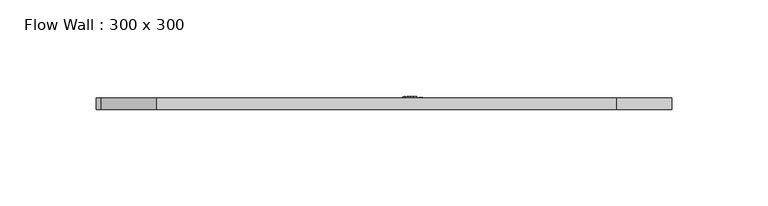
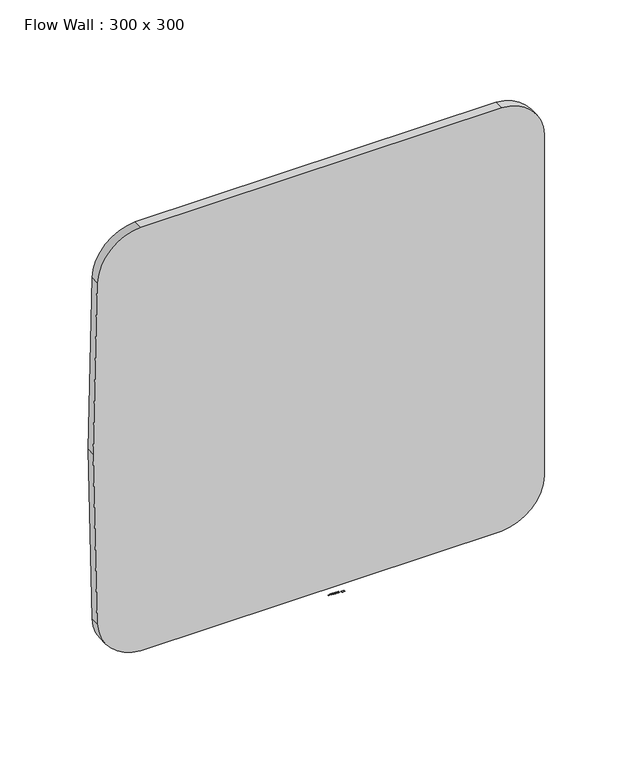
"""IFC4 building model written with IfcOpenShell, lengths in millimetres: furniture geometry, Flow Wall : 300 x 300."""

from ifc_helpers import new_model, si_unit, point, frame, frame_2d, origin, place, context, project, spatial, circle_curve, trimmed, segment, composite_curve, outline, extrude, source, transform, mapped, element, save


def flow_wall_300_x_300_18cdb99a(model_context):
    return source(origin(), model_context, "Body", "SweptSolid", [
        extrude(outline(composite_curve([segment(trimmed(circle_curve(frame_2d((-2399.0451593, 0.0)), 2700.0), [point((298.3223875, 119.1986461))], [point((298.3223875, -119.1986461))], False, "CARTESIAN"), True, "CONTINUOUS"), segment(trimmed(circle_curve(frame_2d((268.351637, -117.8742167)), 30.0), [point((298.3223875, -119.1986461))], [point((269.6760664, -147.8449672))], False, "CARTESIAN"), True, "CONTINUOUS"), segment(trimmed(circle_curve(frame_2d((150.4774203, 2549.5225797)), 2700.0), [point((269.6760664, -147.8449672))], [point((150.4774203, -150.4774203))], False, "CARTESIAN"), True, "CONTINUOUS"), segment(trimmed(circle_curve(frame_2d((150.4774203, 2549.5225797)), 2700.0), [point((150.4774203, -150.4774203))], [point((31.2787743, -147.8449672))], False, "CARTESIAN"), True, "CONTINUOUS"), segment(trimmed(circle_curve(frame_2d((32.6032037, -117.8742167)), 30.0), [point((31.2787743, -147.8449672))], [point((2.6324532, -119.1986461))], False, "CARTESIAN"), True, "CONTINUOUS"), segment(trimmed(circle_curve(frame_2d((2700.0, 0.0)), 2700.0), [point((2.6324532, -119.1986461))], [point((2.6324532, 119.1986461))], False, "CARTESIAN"), True, "CONTINUOUS"), segment(trimmed(circle_curve(frame_2d((32.6032037, 117.8742167)), 30.0), [point((2.6324532, 119.1986461))], [point((31.2787743, 147.8449672))], False, "CARTESIAN"), True, "CONTINUOUS"), segment(trimmed(circle_curve(frame_2d((150.4774203, -2549.5225797)), 2700.0), [point((31.2787743, 147.8449672))], [point((269.6760664, 147.8449672))], False, "CARTESIAN"), True, "CONTINUOUS"), segment(trimmed(circle_curve(frame_2d((268.351637, 117.8742167)), 30.0), [point((269.6760664, 147.8449672))], [point((298.3223875, 119.1986461))], False, "CARTESIAN"), True, "CONTINUOUS")], self_intersect=False)), frame((0.0, -6.0, 0.0), z_axis=(0.0, 1.0, 0.0), x_axis=(0.0, 0.0, 1.0)), (0.0, 0.0, 1.0), 6.0),
        extrude(outline(composite_curve([segment(trimmed(circle_curve(frame_2d((17.8140378, -29.8743533)), 30.0), [point((16.9116166, 0.1120708))], [point((18.7164591, 0.1120708))], False, "CARTESIAN"), True, "CONTINUOUS"), segment(trimmed(circle_curve(frame_2d((18.713763, 0.022123)), 0.0899883), [point((18.7164591, 0.1120708))], [point((18.803638, 0.0266359))], False, "CARTESIAN"), True, "CONTINUOUS"), segment(trimmed(circle_curve(frame_2d((10.8137529, -0.3755281)), 8.0), [point((18.803638, 0.0266359))], [point((18.803638, -0.7776922))], False, "CARTESIAN"), True, "CONTINUOUS"), segment(trimmed(circle_curve(frame_2d((18.713763, -0.7731792)), 0.0899883), [point((18.803638, -0.7776922))], [point((18.7164591, -0.8631271))], False, "CARTESIAN"), True, "CONTINUOUS"), segment(trimmed(circle_curve(frame_2d((17.8140378, 29.1232971)), 30.0), [point((18.7164591, -0.8631271))], [point((16.9116166, -0.8631271))], False, "CARTESIAN"), True, "CONTINUOUS"), segment(trimmed(circle_curve(frame_2d((16.9143126, -0.7731792)), 0.0899883), [point((16.9116166, -0.8631271))], [point((16.8244376, -0.7776922))], False, "CARTESIAN"), True, "CONTINUOUS"), segment(trimmed(circle_curve(frame_2d((24.8143227, -0.3755281)), 8.0), [point((16.8244376, -0.7776922))], [point((16.8143227, -0.3755281))], False, "CARTESIAN"), True, "CONTINUOUS"), segment(trimmed(circle_curve(frame_2d((24.8143227, -0.3755281)), 8.0), [point((16.8143227, -0.3755281))], [point((16.8244376, 0.0266359))], False, "CARTESIAN"), True, "CONTINUOUS"), segment(trimmed(circle_curve(frame_2d((16.9143126, 0.022123)), 0.0899883), [point((16.8244376, 0.0266359))], [point((16.9116166, 0.1120708))], False, "CARTESIAN"), True, "CONTINUOUS")], self_intersect=False)), frame((0.0, 0.0, -7.4147222), z_axis=(0.0, 0.0, 1.0), x_axis=(1.0, 0.0, 0.0)), (0.0, 0.0, 1.0), 0.006),
        extrude(outline(composite_curve([segment(trimmed(circle_curve(frame_2d((14.8989791, -14.1960751)), 15.0), [point((14.2454051, 0.7896795))], [point((15.5525531, 0.7896795))], False, "CARTESIAN"), True, "CONTINUOUS"), segment(trimmed(circle_curve(frame_2d((15.5486316, 0.699765)), 0.09), [point((15.5525531, 0.7896795))], [point((15.6385171, 0.7043032))], False, "CARTESIAN"), True, "CONTINUOUS"), segment(trimmed(circle_curve(frame_2d((7.6486942, 0.3009066)), 8.0), [point((15.6385171, 0.7043032))], [point((15.6385171, -0.10249))], False, "CARTESIAN"), True, "CONTINUOUS"), segment(trimmed(circle_curve(frame_2d((15.5486316, -0.0979518)), 0.09), [point((15.6385171, -0.10249))], [point((15.5525531, -0.1878663))], False, "CARTESIAN"), True, "CONTINUOUS"), segment(trimmed(circle_curve(frame_2d((14.8989791, 14.7978883)), 15.0), [point((15.5525531, -0.1878663))], [point((14.2454051, -0.1878663))], False, "CARTESIAN"), True, "CONTINUOUS"), segment(trimmed(circle_curve(frame_2d((14.2493265, -0.0979518)), 0.09), [point((14.2454051, -0.1878663))], [point((14.159441, -0.10249))], False, "CARTESIAN"), True, "CONTINUOUS"), segment(trimmed(circle_curve(frame_2d((22.149264, 0.3009066)), 8.0), [point((14.159441, -0.10249))], [point((14.149264, 0.3009066))], False, "CARTESIAN"), True, "CONTINUOUS"), segment(trimmed(circle_curve(frame_2d((22.149264, 0.3009066)), 8.0), [point((14.149264, 0.3009066))], [point((14.159441, 0.7043032))], False, "CARTESIAN"), True, "CONTINUOUS"), segment(trimmed(circle_curve(frame_2d((14.2493265, 0.699765)), 0.09), [point((14.159441, 0.7043032))], [point((14.2454051, 0.7896795))], False, "CARTESIAN"), True, "CONTINUOUS")], self_intersect=False)), frame((0.0, 0.0, -7.4147222), z_axis=(0.0, 0.0, 1.0), x_axis=(1.0, 0.0, 0.0)), (0.0, 0.0, 1.0), 0.006),
        extrude(outline(composite_curve([segment(trimmed(circle_curve(frame_2d((13.2344979, -10.6292964)), 11.5), [point((12.7057204, 0.8585404))], [point((13.7632754, 0.8585404))], False, "CARTESIAN"), True, "CONTINUOUS"), segment(trimmed(circle_curve(frame_2d((13.7591372, 0.7686356)), 0.09), [point((13.7632754, 0.8585404))], [point((13.8490225, 0.7731768))], False, "CARTESIAN"), True, "CONTINUOUS"), segment(trimmed(circle_curve(frame_2d((5.859213, 0.369514)), 8.0), [point((13.8490225, 0.7731768))], [point((13.8490225, -0.0341489))], False, "CARTESIAN"), True, "CONTINUOUS"), segment(trimmed(circle_curve(frame_2d((13.7591372, -0.0296077)), 0.09), [point((13.8490225, -0.0341489))], [point((13.7632754, -0.1195125))], False, "CARTESIAN"), True, "CONTINUOUS"), segment(trimmed(circle_curve(frame_2d((13.2344979, 11.3683243)), 11.5), [point((13.7632754, -0.1195125))], [point((12.7057204, -0.1195125))], False, "CARTESIAN"), True, "CONTINUOUS"), segment(trimmed(circle_curve(frame_2d((12.7098586, -0.0296077)), 0.09), [point((12.7057204, -0.1195125))], [point((12.6199733, -0.0341489))], False, "CARTESIAN"), True, "CONTINUOUS"), segment(trimmed(circle_curve(frame_2d((20.6097828, 0.369514)), 8.0), [point((12.6199733, -0.0341489))], [point((12.6097828, 0.369514))], False, "CARTESIAN"), True, "CONTINUOUS"), segment(trimmed(circle_curve(frame_2d((20.6097828, 0.369514)), 8.0), [point((12.6097828, 0.369514))], [point((12.6199733, 0.7731768))], False, "CARTESIAN"), True, "CONTINUOUS"), segment(trimmed(circle_curve(frame_2d((12.7098586, 0.7686356)), 0.09), [point((12.6199733, 0.7731768))], [point((12.7057204, 0.8585404))], False, "CARTESIAN"), True, "CONTINUOUS")], self_intersect=False)), frame((0.0, 0.0, -7.4147222), z_axis=(0.0, 0.0, 1.0), x_axis=(1.0, 0.0, 0.0)), (0.0, 0.0, 1.0), 0.006),
        extrude(outline(composite_curve([segment(trimmed(circle_curve(frame_2d((11.880102, -7.1379444)), 8.0), [point((11.4759408, 0.85184))], [point((12.2842632, 0.85184))], False, "CARTESIAN"), True, "CONTINUOUS"), segment(trimmed(circle_curve(frame_2d((12.2797164, 0.7619549)), 0.09), [point((12.2842632, 0.85184))], [point((12.3696014, 0.7665017))], False, "CARTESIAN"), True, "CONTINUOUS"), segment(trimmed(circle_curve(frame_2d((4.3798171, 0.3623405)), 8.0), [point((12.3696014, 0.7665017))], [point((12.3696014, -0.0418206))], False, "CARTESIAN"), True, "CONTINUOUS"), segment(trimmed(circle_curve(frame_2d((12.2797164, -0.0372738)), 0.09), [point((12.3696014, -0.0418206))], [point((12.2842632, -0.1271589))], False, "CARTESIAN"), True, "CONTINUOUS"), segment(trimmed(circle_curve(frame_2d((11.880102, 7.8626254)), 8.0), [point((12.2842632, -0.1271589))], [point((11.4759408, -0.1271589))], False, "CARTESIAN"), True, "CONTINUOUS"), segment(trimmed(circle_curve(frame_2d((11.4804876, -0.0372738)), 0.09), [point((11.4759408, -0.1271589))], [point((11.3906026, -0.0418206))], False, "CARTESIAN"), True, "CONTINUOUS"), segment(trimmed(circle_curve(frame_2d((19.3803869, 0.3623405)), 8.0), [point((11.3906026, -0.0418206))], [point((11.3803869, 0.3623405))], False, "CARTESIAN"), True, "CONTINUOUS"), segment(trimmed(circle_curve(frame_2d((19.3803869, 0.3623405)), 8.0), [point((11.3803869, 0.3623405))], [point((11.3906026, 0.7665017))], False, "CARTESIAN"), True, "CONTINUOUS"), segment(trimmed(circle_curve(frame_2d((11.4804876, 0.7619549)), 0.09), [point((11.3906026, 0.7665017))], [point((11.4759408, 0.85184))], False, "CARTESIAN"), True, "CONTINUOUS")], self_intersect=False)), frame((0.0, 0.0, -7.4147222), z_axis=(0.0, 0.0, 1.0), x_axis=(1.0, 0.0, 0.0)), (0.0, 0.0, 1.0), 0.006),
        extrude(outline(composite_curve([segment(trimmed(circle_curve(frame_2d((10.7219096, -5.1332795)), 6.0), [point((10.4208166, 0.859161))], [point((11.0230025, 0.859161))], False, "CARTESIAN"), True, "CONTINUOUS"), segment(trimmed(circle_curve(frame_2d((11.0194898, 0.7892492)), 0.07), [point((11.0230025, 0.859161))], [point((11.0894016, 0.792762))], False, "CARTESIAN"), True, "CONTINUOUS"), segment(trimmed(circle_curve(frame_2d((5.0969611, 0.491669)), 6.0), [point((11.0894016, 0.792762))], [point((11.0894016, 0.1905761))], False, "CARTESIAN"), True, "CONTINUOUS"), segment(trimmed(circle_curve(frame_2d((11.0194898, 0.1940888)), 0.07), [point((11.0894016, 0.1905761))], [point((11.0230025, 0.124177))], False, "CARTESIAN"), True, "CONTINUOUS"), segment(trimmed(circle_curve(frame_2d((10.7219096, 6.1166175)), 6.0), [point((11.0230025, 0.124177))], [point((10.4208166, 0.124177))], False, "CARTESIAN"), True, "CONTINUOUS"), segment(trimmed(circle_curve(frame_2d((10.4243294, 0.1940888)), 0.07), [point((10.4208166, 0.124177))], [point((10.3544176, 0.1905761))], False, "CARTESIAN"), True, "CONTINUOUS"), segment(trimmed(circle_curve(frame_2d((16.346858, 0.491669)), 6.0), [point((10.3544176, 0.1905761))], [point((10.346858, 0.491669))], False, "CARTESIAN"), True, "CONTINUOUS"), segment(trimmed(circle_curve(frame_2d((16.346858, 0.491669)), 6.0), [point((10.346858, 0.491669))], [point((10.3544176, 0.792762))], False, "CARTESIAN"), True, "CONTINUOUS"), segment(trimmed(circle_curve(frame_2d((10.4243294, 0.7892492)), 0.07), [point((10.3544176, 0.792762))], [point((10.4208166, 0.859161))], False, "CARTESIAN"), True, "CONTINUOUS")], self_intersect=False)), frame((0.0, 0.0, -7.4147222), z_axis=(0.0, 0.0, 1.0), x_axis=(1.0, 0.0, 0.0)), (0.0, 0.0, 1.0), 0.006),
        extrude(outline(composite_curve([segment(trimmed(circle_curve(frame_2d((9.4837532, -3.2756697)), 4.0), [point((9.286245, 0.7194511))], [point((9.6812614, 0.7194511))], False, "CARTESIAN"), True, "CONTINUOUS"), segment(trimmed(circle_curve(frame_2d((9.6787926, 0.6695121)), 0.05), [point((9.6812614, 0.7194511))], [point((9.7287316, 0.6719809))], False, "CARTESIAN"), True, "CONTINUOUS"), segment(trimmed(circle_curve(frame_2d((5.7336107, 0.4744727)), 4.0), [point((9.7287316, 0.6719809))], [point((9.7287316, 0.2769645))], False, "CARTESIAN"), True, "CONTINUOUS"), segment(trimmed(circle_curve(frame_2d((9.6787926, 0.2794333)), 0.05), [point((9.7287316, 0.2769645))], [point((9.6812614, 0.2294943))], False, "CARTESIAN"), True, "CONTINUOUS"), segment(trimmed(circle_curve(frame_2d((9.4837532, 4.2246152)), 4.0), [point((9.6812614, 0.2294943))], [point((9.286245, 0.2294943))], False, "CARTESIAN"), True, "CONTINUOUS"), segment(trimmed(circle_curve(frame_2d((9.2887138, 0.2794333)), 0.05), [point((9.286245, 0.2294943))], [point((9.2387748, 0.2769645))], False, "CARTESIAN"), True, "CONTINUOUS"), segment(trimmed(circle_curve(frame_2d((13.2338956, 0.4744727)), 4.0), [point((9.2387748, 0.2769645))], [point((9.2338956, 0.4744727))], False, "CARTESIAN"), True, "CONTINUOUS"), segment(trimmed(circle_curve(frame_2d((13.2338956, 0.4744727)), 4.0), [point((9.2338956, 0.4744727))], [point((9.2387748, 0.6719809))], False, "CARTESIAN"), True, "CONTINUOUS"), segment(trimmed(circle_curve(frame_2d((9.2887138, 0.6695121)), 0.05), [point((9.2387748, 0.6719809))], [point((9.286245, 0.7194511))], False, "CARTESIAN"), True, "CONTINUOUS")], self_intersect=False)), frame((0.0, 0.0, -7.4147222), z_axis=(0.0, 0.0, 1.0), x_axis=(1.0, 0.0, 0.0)), (0.0, 0.0, 1.0), 0.006),
        extrude(outline(composite_curve([segment(trimmed(circle_curve(frame_2d((8.6540231, -2.2771172)), 2.7), [point((8.5348244, 0.4202503))], [point((8.7732217, 0.4202503))], False, "CARTESIAN"), True, "CONTINUOUS"), segment(trimmed(circle_curve(frame_2d((8.7718973, 0.3902796)), 0.03), [point((8.7732217, 0.4202503))], [point((8.8018681, 0.391604))], False, "CARTESIAN"), True, "CONTINUOUS"), segment(trimmed(circle_curve(frame_2d((6.1045005, 0.2724054)), 2.7), [point((8.8018681, 0.391604))], [point((8.8018681, 0.1532067))], False, "CARTESIAN"), True, "CONTINUOUS"), segment(trimmed(circle_curve(frame_2d((8.7718973, 0.1545311)), 0.03), [point((8.8018681, 0.1532067))], [point((8.7732217, 0.1245604))], False, "CARTESIAN"), True, "CONTINUOUS"), segment(trimmed(circle_curve(frame_2d((8.6540231, 2.8219279)), 2.7), [point((8.7732217, 0.1245604))], [point((8.5348244, 0.1245604))], False, "CARTESIAN"), True, "CONTINUOUS"), segment(trimmed(circle_curve(frame_2d((8.5361489, 0.1545311)), 0.03), [point((8.5348244, 0.1245604))], [point((8.5061781, 0.1532067))], False, "CARTESIAN"), True, "CONTINUOUS"), segment(trimmed(circle_curve(frame_2d((11.2035457, 0.2724054)), 2.7), [point((8.5061781, 0.1532067))], [point((8.5035457, 0.2724054))], False, "CARTESIAN"), True, "CONTINUOUS"), segment(trimmed(circle_curve(frame_2d((11.2035457, 0.2724054)), 2.7), [point((8.5035457, 0.2724054))], [point((8.5061781, 0.391604))], False, "CARTESIAN"), True, "CONTINUOUS"), segment(trimmed(circle_curve(frame_2d((8.5361489, 0.3902796)), 0.03), [point((8.5061781, 0.391604))], [point((8.5348244, 0.4202503))], False, "CARTESIAN"), True, "CONTINUOUS")], self_intersect=False)), frame((0.0, 0.0, -7.4147222), z_axis=(0.0, 0.0, 1.0), x_axis=(1.0, 0.0, 0.0)), (0.0, 0.0, 1.0), 0.006),
    ])


if __name__ == "__main__":
    model = new_model("IFC4")
    model_context = context("Model", 3, world=origin())
    ifc_project = project(units=[si_unit("LENGTHUNIT", "METRE", prefix="MILLI")], contexts=[model_context])
    site = spatial("IfcSite", under=ifc_project)
    building = spatial("IfcBuilding", under=site)
    placement = place(None, origin())
    flow_wall_300_x_300_shape = flow_wall_300_x_300_18cdb99a(model_context)
    element("IfcFurniture", 1, ObjectType="Flow Wall : 300 x 300", at=placement, inside=building, context=model_context, shape_type="MappedRepresentation", body=[
        mapped(flow_wall_300_x_300_shape, transform((0.0, 0.0, 0.0), x_axis=(1.0, 0.0, 0.0), y_axis=(0.0, 1.0, 0.0), z_axis=(0.0, 0.0, 1.0))),
    ])
    save(model, "model.ifc")
